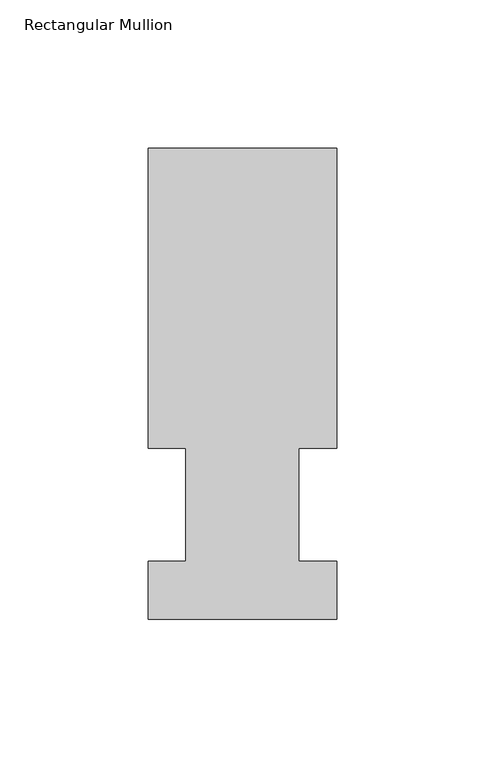
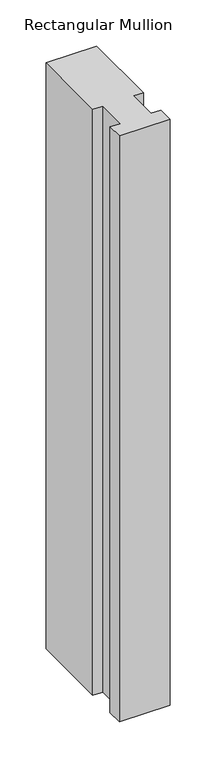
"""IFC4 building model written with IfcOpenShell, lengths in millimetres: member geometry, Rectangular Mullion."""

import ifcopenshell
import ifcopenshell.guid

model = None  # the IFC model being written
_history = None  # IfcOwnerHistory: only IFC2X3 demands one
_inside = {}  # id of a spatial element -> (the spatial element, [elements in it])
_under = {}  # id of a project, library or spatial element -> (it, [spatial elements below it])
_declared = {}  # id of a project -> (the project, [libraries it declares])
_typed = {}  # id of a type object -> (the type object, [elements of that type])
_made_of = {}  # id of a material, layer set ... -> (it, [elements and type objects made of it])


def new_model(schema):
    """Start an empty IFC model of exactly this schema.

    Asked for "IFC4X3", IfcOpenShell would pick the latest addendum, in which some entities
    have other attributes; the version numbers below select the first issue.
    IFC2X3 requires an IfcOwnerHistory on every rooted entity: one is made here for all.
    """
    global model, _history
    if schema == "IFC4X3":
        model = ifcopenshell.file(schema_version=(4, 3, 0, 0))
    else:
        model = ifcopenshell.file(schema=schema)
    _inside.clear()
    _under.clear()
    _declared.clear()
    _typed.clear()
    _made_of.clear()
    _history = None
    if model.schema == "IFC2X3":
        org = make("IfcOrganization", Name="unknown")
        user = make(
            "IfcPersonAndOrganization",
            ThePerson=make("IfcPerson", FamilyName="unknown"),
            TheOrganization=org,
        )
        app = make(
            "IfcApplication",
            ApplicationDeveloper=org,
            Version="unknown",
            ApplicationFullName="unknown",
            ApplicationIdentifier="unknown",
        )
        _history = make(
            "IfcOwnerHistory",
            OwningUser=user,
            OwningApplication=app,
            ChangeAction="ADDED",
            CreationDate=0,
        )
    return model


def make(cls, **values):
    """One entity of the class cls with the attributes given. An attribute that is None is left unset."""
    return model.create_entity(
        cls, **{name: value for name, value in values.items() if value is not None}
    )


def rooted(cls, **values):
    """An entity with a GlobalId (a new one), such as an element, a storey or a relation."""
    return make(cls, GlobalId=ifcopenshell.guid.new(), OwnerHistory=_history, **values)


def si_unit(unit_type, name, prefix=None):
    """IfcSIUnit, for example si_unit("LENGTHUNIT", "METRE", prefix="MILLI")."""
    return make("IfcSIUnit", UnitType=unit_type, Prefix=prefix, Name=name)


def assignment(units):
    """IfcUnitAssignment: the units of a project."""
    return None if units is None else make("IfcUnitAssignment", Units=units)


def point(xyz):
    """IfcCartesianPoint."""
    return None if xyz is None else make("IfcCartesianPoint", Coordinates=xyz)


def direction(xyz):
    """IfcDirection."""
    return None if xyz is None else make("IfcDirection", DirectionRatios=xyz)


def frame(location, z_axis=None, x_axis=None):
    """IfcAxis2Placement3D, a coordinate frame: its origin and axes. An axis left out is left unset."""
    return make(
        "IfcAxis2Placement3D",
        Location=point(location),
        Axis=direction(z_axis),
        RefDirection=direction(x_axis),
    )


def origin():
    """The frame at (0, 0, 0) with its axes left unset."""
    return frame((0.0, 0.0, 0.0))


def place(relative_to, where):
    """IfcLocalPlacement: puts the frame where relative to a parent placement (None: the world)."""
    return make(
        "IfcLocalPlacement", PlacementRelTo=relative_to, RelativePlacement=where
    )


def context(
    kind, dimensions, precision=None, world=None, true_north=None, identifier=None
):
    """IfcGeometricRepresentationContext, for example the 3D "Model" context."""
    return make(
        "IfcGeometricRepresentationContext",
        ContextIdentifier=identifier,
        ContextType=kind,
        CoordinateSpaceDimension=dimensions,
        Precision=precision,
        WorldCoordinateSystem=world,
        TrueNorth=true_north,
    )


def project(units=None, contexts=None):
    """IfcProject with its units and contexts."""
    return rooted(
        "IfcProject",
        Name="project",
        RepresentationContexts=contexts,
        UnitsInContext=assignment(units),
    )


def spatial(cls, under=None, at=None, **own):
    """A site, building, storey or space (cls), placed at a placement, below another one or the project."""
    s = rooted(cls, ObjectPlacement=at, **own)
    if under is not None:
        _under.setdefault(under.id(), (under, []))[1].append(s)
    return s


def polyline(points):
    """IfcPolyline through the points."""
    return make("IfcPolyline", Points=[point(p) for p in points])


def outline(outer, holes=None, kind="AREA"):
    """IfcArbitraryClosedProfileDef: a profile drawn as a closed curve; with holes, ...WithVoids."""
    if holes is None:
        return make("IfcArbitraryClosedProfileDef", ProfileType=kind, OuterCurve=outer)
    return make(
        "IfcArbitraryProfileDefWithVoids",
        ProfileType=kind,
        OuterCurve=outer,
        InnerCurves=holes,
    )


def extrude(swept, where, along, depth):
    """IfcExtrudedAreaSolid: the profile swept, set in the frame where, extruded along a direction by depth."""
    return make(
        "IfcExtrudedAreaSolid",
        SweptArea=swept,
        Position=where,
        ExtrudedDirection=direction(along),
        Depth=depth,
    )


def shape(context_of_items, identifier, shape_type, items):
    """IfcShapeRepresentation: the items that make up one representation, for example the "Body"."""
    return make(
        "IfcShapeRepresentation",
        ContextOfItems=context_of_items,
        RepresentationIdentifier=identifier,
        RepresentationType=shape_type,
        Items=items,
    )


def source(mapping_origin, context_of_items, identifier, shape_type, items):
    """IfcRepresentationMap: a shape defined once, which mapped items show again and again."""
    return make(
        "IfcRepresentationMap",
        MappingOrigin=mapping_origin,
        MappedRepresentation=shape(context_of_items, identifier, shape_type, items),
    )


def transform(
    local_origin,
    x_axis=None,
    y_axis=None,
    z_axis=None,
    scale=None,
    scale2=None,
    scale3=None,
    uniform=True,
):
    """IfcCartesianTransformationOperator3D, or its non-uniform kind. x_axis, y_axis, z_axis: its Axis1, 2, 3."""
    if uniform:
        return make(
            "IfcCartesianTransformationOperator3D",
            Axis1=direction(x_axis),
            Axis2=direction(y_axis),
            LocalOrigin=point(local_origin),
            Scale=scale,
            Axis3=direction(z_axis),
        )
    return make(
        "IfcCartesianTransformationOperator3DnonUniform",
        Axis1=direction(x_axis),
        Axis2=direction(y_axis),
        LocalOrigin=point(local_origin),
        Scale=scale,
        Axis3=direction(z_axis),
        Scale2=scale2,
        Scale3=scale3,
    )


def mapped(mapping_source, mapping_target):
    """IfcMappedItem: shows the shape of a source again, moved by a transform."""
    return make(
        "IfcMappedItem", MappingSource=mapping_source, MappingTarget=mapping_target
    )


def made_of(thing, what):
    """Note that an element or type object is made of a material, layer set ...; save() writes the relation."""
    if what is not None:
        _made_of.setdefault(what.id(), (what, []))[1].append(thing)
    return thing


def element(
    cls,
    number,
    at=None,
    inside=None,
    cuts=None,
    type_object=None,
    material=None,
    context=None,
    identifier="Body",
    shape_type=None,
    held_by="IfcProductDefinitionShape",
    body=None,
    shapes=None,
    **own,
):
    """One element of the class cls, such as IfcWall. Its Tag is "e" and its number.

    at: its placement. inside: the storey or other place that contains it. cuts: it is an
    opening in that element (IfcRelVoidsElement). A single representation is given by context,
    identifier, shape_type and body (its items); several are given by shapes. held_by: the class
    of the entity that holds the representations. save() writes the other relations.
    """
    e = rooted(cls, Tag="e%d" % number, ObjectPlacement=at, **own)
    if body is not None:
        shapes = [shape(context, identifier, shape_type, body)]
    if shapes is not None:
        e.Representation = make(held_by, Representations=shapes)
    if inside is not None:
        _inside.setdefault(inside.id(), (inside, []))[1].append(e)
    if cuts is not None:
        rooted(
            "IfcRelVoidsElement", RelatingBuildingElement=cuts, RelatedOpeningElement=e
        )
    if type_object is not None:
        _typed.setdefault(type_object.id(), (type_object, []))[1].append(e)
    return made_of(e, material)


def aggregate(whole, parts):
    """IfcRelAggregates: a whole, such as a stair, and the parts it consists of."""
    return rooted("IfcRelAggregates", RelatingObject=whole, RelatedObjects=parts)


def save(model, path):
    """Write the relations noted so far, then the file.

    IfcRelAggregates (storeys below a building ...), IfcRelContainedInSpatialStructure (elements
    in a storey), IfcRelDefinesByType, IfcRelAssociatesMaterial and IfcRelDeclares: one each for
    every whole, place, type object, material and project.
    """
    for whole, parts in _under.values():
        aggregate(whole, parts)
    for where, things in _inside.values():
        rooted(
            "IfcRelContainedInSpatialStructure",
            RelatedElements=things,
            RelatingStructure=where,
        )
    for kind, things in _typed.values():
        rooted("IfcRelDefinesByType", RelatedObjects=things, RelatingType=kind)
    for what, things in _made_of.values():
        rooted("IfcRelAssociatesMaterial", RelatedObjects=things, RelatingMaterial=what)
    for by, libraries in _declared.values():
        rooted("IfcRelDeclares", RelatingContext=by, RelatedDefinitions=libraries)
    model.write(path)


def rectangular_mullion_9d60832c(model_context):
    return source(origin(), model_context, "Body", "SweptSolid", [
        extrude(outline(polyline([(-31.75, 57.6460938), (-31.75, 158.8396937), (31.75, 158.8396937), (31.75, 57.6460937), (19.05, 57.6460937), (19.05, 19.5460937), (31.75, 19.5460937), (31.75, 0.0134938), (-31.75, 0.0134938), (-31.75, 19.5460937), (-19.05, 19.5460937), (-19.05, 57.6460937), (-31.75, 57.6460938)])), frame((0.0, 0.0, -774.7), z_axis=(0.0, 0.0, 1.0), x_axis=(1.0, 0.0, 0.0)), (0.0, 0.0, 1.0), 774.7),
    ])


if __name__ == "__main__":
    model = new_model("IFC4")
    model_context = context("Model", 3, world=origin())
    ifc_project = project(units=[si_unit("LENGTHUNIT", "METRE", prefix="MILLI")], contexts=[model_context])
    site = spatial("IfcSite", under=ifc_project)
    building = spatial("IfcBuilding", under=site)
    placement = place(None, origin())
    rectangular_mullion_shape = rectangular_mullion_9d60832c(model_context)
    element("IfcMember", 1, ObjectType="Rectangular Mullion", at=placement, inside=building, context=model_context, shape_type="MappedRepresentation", body=[
        mapped(rectangular_mullion_shape, transform((0.0, 0.0, 0.0), x_axis=(1.0, 0.0, 0.0), y_axis=(0.0, 1.0, 0.0), z_axis=(0.0, 0.0, 1.0))),
    ])
    save(model, "model.ifc")
